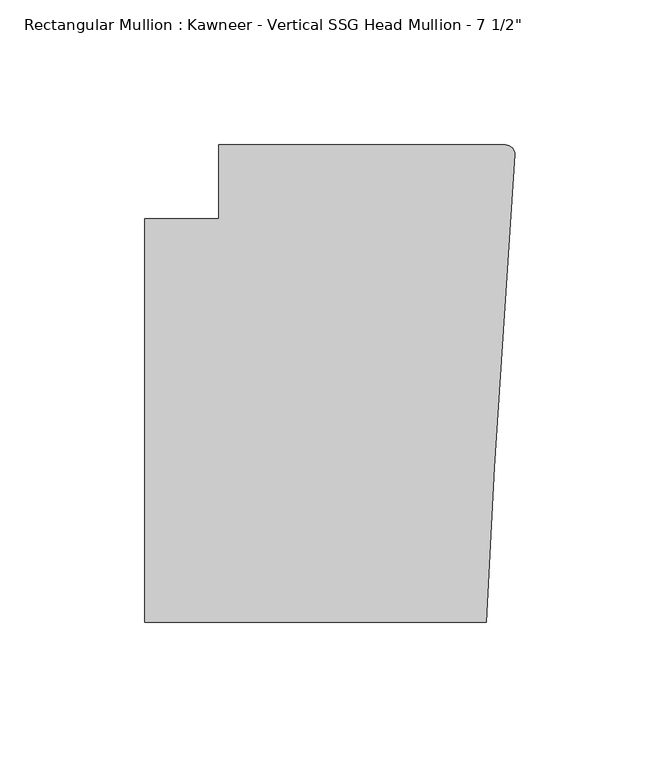
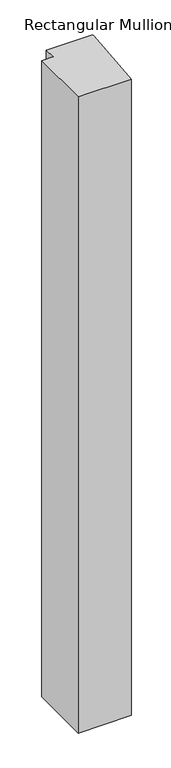
"""IFC4 building model written with IfcOpenShell, lengths in millimetres: member geometry."""

from ifc_helpers import new_model, si_unit, point, frame, frame_2d, origin, place, context, project, spatial, polyline, circle_curve, trimmed, segment, composite_curve, outline, extrude, source, transform, mapped, element, save


def member_efe71022(model_context):
    return source(origin(), model_context, "Body", "SweptSolid", [
        extrude(outline(composite_curve([segment(polyline([(-102.08978, 12.7), (-3.175, 12.7)]), True, "CONTINUOUS"), segment(trimmed(circle_curve(frame_2d((-3.175, 9.525)), 3.175), [point((-3.175, 12.7))], [point((-0.006635, 9.3198462))], False, "CARTESIAN"), True, "CONTINUOUS"), segment(polyline([(-0.006635, 9.3198462), (-6.9873394, -98.4891117), (-9.7860662, -151.892), (-127.4896668, -151.892), (-127.4896668, -12.7), (-102.08978, -12.7), (-102.08978, 12.7)]), True, "CONTINUOUS")], self_intersect=False)), frame((0.0, 0.0, -1481.5902057), z_axis=(0.0, 0.0, 1.0), x_axis=(1.0, 0.0, 0.0)), (0.0, 0.0, 1.0), 1481.5902057),
    ])


if __name__ == "__main__":
    model = new_model("IFC4")
    model_context = context("Model", 3, world=origin())
    ifc_project = project(units=[si_unit("LENGTHUNIT", "METRE", prefix="MILLI")], contexts=[model_context])
    site = spatial("IfcSite", under=ifc_project)
    building = spatial("IfcBuilding", under=site)
    placement = place(None, origin())
    member_shape = member_efe71022(model_context)
    element("IfcMember", 1, ObjectType="Rectangular Mullion : Kawneer - Vertical SSG Head Mullion - 7 1/2\"", at=placement, inside=building, context=model_context, shape_type="MappedRepresentation", body=[
        mapped(member_shape, transform((0.0, 0.0, 0.0), x_axis=(1.0, 0.0, 0.0), y_axis=(0.0, 1.0, 0.0), z_axis=(0.0, 0.0, 1.0))),
    ])
    save(model, "model.ifc")
